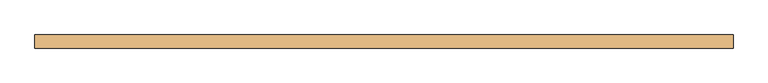
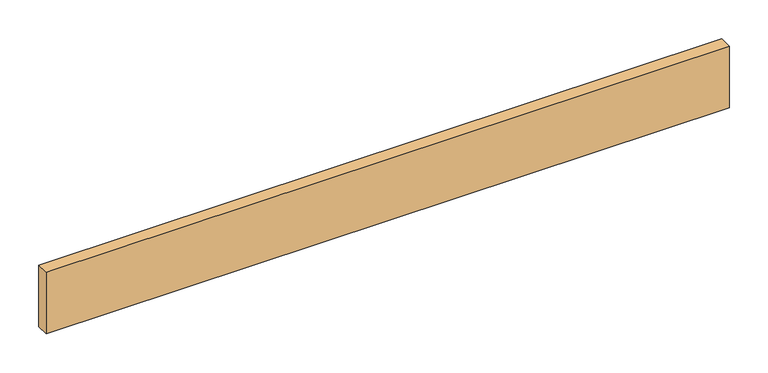
"""IFC4 building model written with IfcOpenShell, lengths in millimetres: door geometry."""

from ifc_helpers import new_model, si_unit, origin, origin_with_axes, place, context, project, spatial, polyline, outline, extrude, source, transform, mapped, element, save


def door_f21f7ff1(model_context):
    return source(origin(), model_context, "Body", "SweptSolid", [
        extrude(outline(polyline([(506.1204, 0.0), (506.1204, -19.05), (-506.1204, -19.05), (-506.1204, 0.0), (506.1204, 0.0)])), origin_with_axes(), (0.0, 0.0, 1.0), 96.52),
    ])


if __name__ == "__main__":
    model = new_model("IFC4")
    model_context = context("Model", 3, world=origin())
    ifc_project = project(units=[si_unit("LENGTHUNIT", "METRE", prefix="MILLI")], contexts=[model_context])
    site = spatial("IfcSite", under=ifc_project)
    building = spatial("IfcBuilding", under=site)
    placement = place(None, origin())
    door_shape = door_f21f7ff1(model_context)
    element("IfcDoor", 1, at=placement, inside=building, context=model_context, shape_type="MappedRepresentation", body=[
        mapped(door_shape, transform((0.0, 0.0, 0.0), x_axis=(1.0, 0.0, 0.0), y_axis=(0.0, 1.0, 0.0), z_axis=(0.0, 0.0, 1.0))),
    ])
    save(model, "model.ifc")
